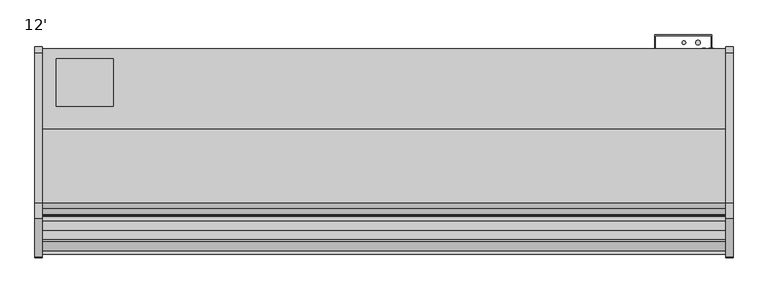
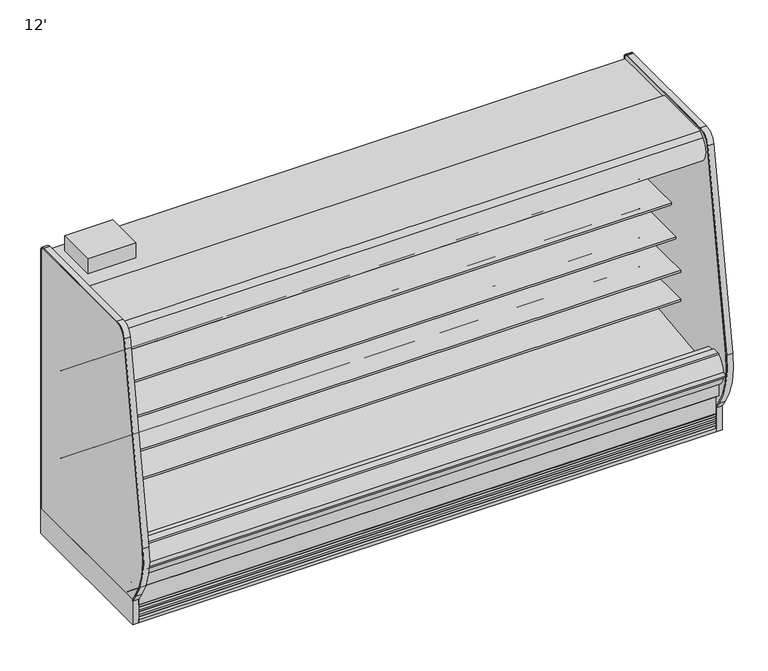
"""IFC4 building model written with IfcOpenShell, lengths in millimetres: proxy geometry, 12'."""

from ifc_helpers import new_model, si_unit, point, frame, frame_2d, origin, origin_with_axes, place, context, project, spatial, polyline, circle_curve, trimmed, segment, composite_curve, outline, extrude, faceted_brep, source, transform, mapped, element, save
from ifc_brep_helpers import plane_surface, cylinder_surface, revolved_surface, advanced_brep


def proxy_12_925cdb05(model_context):
    return source(origin(), model_context, "Body", "SolidModel", [
        extrude(outline(polyline([(381.0, -452.3089273), (381.0, -706.3089273), (76.2, -706.3089273), (76.2, -452.3089273), (381.0, -452.3089273)])), frame((0.0, 0.0, 1890.890681), z_axis=(0.0, 0.0, 1.0), x_axis=(1.0, 0.0, 0.0)), (0.0, 0.0, 1.0), 101.6),
        extrude(outline(composite_curve([segment(polyline([(-501.7581995, 650.7627781), (-501.7581995, 575.6617518), (-525.138746, 575.6617518)]), True, "CONTINUOUS"), segment(trimmed(circle_curve(frame_2d((-525.5705821, 601.0580806)), 25.4), [point((-525.138746, 575.6617518))], [point((-541.5479383, 581.3125979))], False, "CARTESIAN"), True, "CONTINUOUS"), segment(polyline([(-541.5479383, 581.3125979), (-559.3999995, 595.7578634)]), True, "CONTINUOUS"), segment(trimmed(circle_curve(frame_2d((-599.3433901, 546.3941567)), 63.5), [point((-559.3999995, 595.7578634))], [point((-591.4455089, 609.4010886))], True, "CARTESIAN"), True, "CONTINUOUS"), segment(polyline([(-591.4455089, 609.4010886), (-866.0092482, 633.098226), (-867.4980247, 636.5387781), (-1009.7581995, 636.5387781), (-1009.7581995, 650.7627781), (-501.7581995, 650.7627781)]), True, "CONTINUOUS")], self_intersect=False)), frame((0.0, 0.0, 0.0), z_axis=(1.0, 0.0, 0.0), x_axis=(0.0, 1.0, 0.0)), (0.0, 0.0, 1.0), 3657.6),
        extrude(outline(composite_curve([segment(polyline([(-501.7581995, 844.576863), (-501.7581995, 769.4758366), (-525.138746, 769.4758366)]), True, "CONTINUOUS"), segment(trimmed(circle_curve(frame_2d((-525.5705821, 794.8721655)), 25.4), [point((-525.138746, 769.4758366))], [point((-541.5479383, 775.1266828))], False, "CARTESIAN"), True, "CONTINUOUS"), segment(polyline([(-541.5479383, 775.1266828), (-559.3999995, 789.5719483)]), True, "CONTINUOUS"), segment(trimmed(circle_curve(frame_2d((-599.3433901, 740.2082415)), 63.5), [point((-559.3999995, 789.5719483))], [point((-591.4455089, 803.2151735))], True, "CARTESIAN"), True, "CONTINUOUS"), segment(polyline([(-591.4455089, 803.2151735), (-866.0092482, 826.9123109), (-867.4980247, 830.352863), (-1009.7581995, 830.352863), (-1009.7581995, 844.576863), (-501.7581995, 844.576863)]), True, "CONTINUOUS")], self_intersect=False)), frame((0.0, 0.0, 0.0), z_axis=(1.0, 0.0, 0.0), x_axis=(0.0, 1.0, 0.0)), (0.0, 0.0, 1.0), 3657.6),
        extrude(outline(composite_curve([segment(polyline([(-501.7581995, 1038.3909479), (-501.7581995, 963.2899215), (-525.138746, 963.2899215)]), True, "CONTINUOUS"), segment(trimmed(circle_curve(frame_2d((-525.5705821, 988.6862503)), 25.4), [point((-525.138746, 963.2899215))], [point((-541.5479383, 968.9407676))], False, "CARTESIAN"), True, "CONTINUOUS"), segment(polyline([(-541.5479383, 968.9407676), (-559.3999995, 983.3860332)]), True, "CONTINUOUS"), segment(trimmed(circle_curve(frame_2d((-599.3433901, 934.0223264)), 63.5), [point((-559.3999995, 983.3860332))], [point((-591.4455089, 997.0292583))], True, "CARTESIAN"), True, "CONTINUOUS"), segment(polyline([(-591.4455089, 997.0292583), (-866.0092482, 1020.7263958), (-867.4980247, 1024.1669479), (-958.9581995, 1024.1669479), (-958.9581995, 1038.3909479), (-501.7581995, 1038.3909479)]), True, "CONTINUOUS")], self_intersect=False)), frame((0.0, 0.0, 0.0), z_axis=(1.0, 0.0, 0.0), x_axis=(0.0, 1.0, 0.0)), (0.0, 0.0, 1.0), 3657.6),
        extrude(outline(composite_curve([segment(trimmed(circle_curve(frame_2d((3432.175, -366.5839273)), 9.525), [point((3422.65, -366.5839273))], [point((3441.7, -366.5839273))], False, "CARTESIAN"), True, "CONTINUOUS"), segment(trimmed(circle_curve(frame_2d((3432.175, -366.5839273)), 9.525), [point((3441.7, -366.5839273))], [point((3422.65, -366.5839273))], False, "CARTESIAN"), True, "CONTINUOUS")], self_intersect=False)), frame((0.0, 0.0, 1384.8875996), z_axis=(0.0, 0.0, 1.0), x_axis=(1.0, 0.0, 0.0)), (0.0, 0.0, 1.0), 465.5662814),
        extrude(outline(composite_curve([segment(trimmed(circle_curve(frame_2d((3508.375, -366.5839273)), 12.7), [point((3495.675, -366.5839273))], [point((3521.075, -366.5839273))], False, "CARTESIAN"), True, "CONTINUOUS"), segment(trimmed(circle_curve(frame_2d((3508.375, -366.5839273)), 12.7), [point((3521.075, -366.5839273))], [point((3495.675, -366.5839273))], False, "CARTESIAN"), True, "CONTINUOUS")], self_intersect=False)), frame((0.0, 0.0, 1384.8875996), z_axis=(0.0, 0.0, 1.0), x_axis=(1.0, 0.0, 0.0)), (0.0, 0.0, 1.0), 465.5662814),
        extrude(outline(polyline([(3578.225, -401.5089273), (3578.225, -328.4839273), (3279.8752368, -328.4839273), (3279.8752368, -401.5089273), (3276.6, -401.5089273), (3276.6, -325.3089273), (3581.4, -325.3089273), (3581.4, -401.5089273), (3578.225, -401.5089273)])), frame((0.0, 0.0, 636.9744553), z_axis=(0.0, 0.0, 1.0), x_axis=(1.0, 0.0, 0.0)), (0.0, 0.0, 1.0), 1177.4114257),
        extrude(outline(composite_curve([segment(trimmed(circle_curve(frame_2d((3460.75, -1128.5839273)), 12.7), [point((3448.05, -1128.5839273))], [point((3473.45, -1128.5839273))], False, "CARTESIAN"), True, "CONTINUOUS"), segment(trimmed(circle_curve(frame_2d((3460.75, -1128.5839273)), 12.7), [point((3473.45, -1128.5839273))], [point((3448.05, -1128.5839273))], False, "CARTESIAN"), True, "CONTINUOUS")], self_intersect=False)), frame((0.0, 0.0, 66.7090149), z_axis=(0.0, 0.0, 1.0), x_axis=(1.0, 0.0, 0.0)), (0.0, 0.0, 1.0), 57.1159851),
        extrude(outline(composite_curve([segment(trimmed(circle_curve(frame_2d((3422.65, -1128.5839273)), 9.525), [point((3413.125, -1128.5839273))], [point((3432.175, -1128.5839273))], False, "CARTESIAN"), True, "CONTINUOUS"), segment(trimmed(circle_curve(frame_2d((3422.65, -1128.5839273)), 9.525), [point((3432.175, -1128.5839273))], [point((3413.125, -1128.5839273))], False, "CARTESIAN"), True, "CONTINUOUS")], self_intersect=False)), frame((0.0, 0.0, 66.7090149), z_axis=(0.0, 0.0, 1.0), x_axis=(1.0, 0.0, 0.0)), (0.0, 0.0, 1.0), 57.1159851),
        extrude(outline(composite_curve([segment(trimmed(circle_curve(frame_2d((-772.0018909, 1757.6527872)), 14.2875), [point((-786.2893909, 1757.6527872))], [point((-757.7143909, 1757.6527872))], False, "CARTESIAN"), True, "CONTINUOUS"), segment(trimmed(circle_curve(frame_2d((-772.0018909, 1757.6527872)), 14.2875), [point((-757.7143909, 1757.6527872))], [point((-786.2893909, 1757.6527872))], False, "CARTESIAN"), True, "CONTINUOUS")], self_intersect=False)), frame((0.0, 0.0, 0.0), z_axis=(1.0, 0.0, 0.0), x_axis=(0.0, 1.0, 0.0)), (0.0, 0.0, 1.0), 3657.6),
        extrude(outline(polyline([(744.7751963, -1346.7911816), (435.3523963, -1346.7911816), (435.3523963, -1246.4115659), (744.7751963, -1246.4115659), (744.7751963, -1346.7911816)])), frame((0.0, 0.0, 53.2186364), z_axis=(0.0, 0.0, 1.0), x_axis=(1.0, 0.0, 0.0)), (0.0, 0.0, 1.0), 9.8914),
        faceted_brep([(3657.6, -1207.9589273, 133.35), (3657.6, -1271.9080824, 133.35), (3657.6, -1376.2733538, 217.6113531), (3657.6, -1376.2733538, 10.9768116), (3657.6, -1207.9589273, 10.9768116), (0.0, -1207.9589273, 133.35), (0.0, -1207.9589273, 10.9768116), (0.0, -1376.2733538, 10.9768116), (0.0, -1376.2733538, 217.6113531), (0.0, -1271.9080824, 133.35), (744.7751963, -1346.7911816, 10.9768116), (744.7751963, -1246.4115659, 10.9768116), (435.3523963, -1246.4115659, 10.9768116), (435.3523963, -1346.7911816, 10.9768116), (744.7751963, -1346.7911816, 63.1100364), (435.3523963, -1346.7911816, 63.1100364), (435.3523963, -1246.4115659, 63.1100364), (744.7751963, -1246.4115659, 63.1100364)], [[[0, 1, 2, 3, 4]], [[5, 6, 7, 8, 9]], [[1, 0, 5, 9]], [[2, 1, 9, 8]], [[3, 2, 8, 7]], [[4, 3, 7, 6], [10, 11, 12, 13]], [[0, 4, 6, 5]], [[14, 15, 16, 17]], [[14, 17, 11, 10]], [[17, 16, 12, 11]], [[16, 15, 13, 12]], [[15, 14, 10, 13]]]),
        extrude(outline(composite_curve([segment(trimmed(circle_curve(frame_2d((497.8112651, 3578.0090336)), 12.7), [point((497.8112651, 3590.7090336))], [point((497.8112651, 3565.3090336))], False, "CARTESIAN"), True, "CONTINUOUS"), segment(trimmed(circle_curve(frame_2d((497.8112651, 3578.0090336)), 12.7), [point((497.8112651, 3565.3090336))], [point((497.8112651, 3590.7090336))], False, "CARTESIAN"), True, "CONTINUOUS")], self_intersect=False)), frame((0.0, -447.5561252, 0.0), z_axis=(0.0, 1.0, 0.0), x_axis=(0.0, 0.0, 1.0)), (0.0, 0.0, 1.0), 52.3971979),
        extrude(outline(composite_curve([segment(trimmed(circle_curve(frame_2d((497.8112651, 3539.5972115)), 9.525), [point((497.8112651, 3549.1222115))], [point((497.8112651, 3530.0722115))], False, "CARTESIAN"), True, "CONTINUOUS"), segment(trimmed(circle_curve(frame_2d((497.8112651, 3539.5972115)), 9.525), [point((497.8112651, 3530.0722115))], [point((497.8112651, 3549.1222115))], False, "CARTESIAN"), True, "CONTINUOUS")], self_intersect=False)), frame((0.0, -447.5561252, 0.0), z_axis=(0.0, 1.0, 0.0), x_axis=(0.0, 0.0, 1.0)), (0.0, 0.0, 1.0), 52.3971979),
        extrude(outline(composite_curve([segment(polyline([(-448.6101762, 1839.296931), (-448.6101762, 407.920884), (-501.7581995, 407.920884), (-501.7581995, 1761.0279745)]), True, "CONTINUOUS"), segment(trimmed(circle_curve(frame_2d((-527.1581995, 1761.0279745)), 25.4), [point((-501.7581995, 1761.0279745))], [point((-527.1581995, 1786.4279745))], True, "CARTESIAN"), True, "CONTINUOUS"), segment(polyline([(-527.1581995, 1786.4279745), (-992.6733136, 1786.4279745), (-992.6733136, 1753.1446108), (-1003.5184137, 1753.1446108)]), True, "CONTINUOUS"), segment(trimmed(circle_curve(frame_2d((-1003.5184137, 1753.4621108)), 0.3175), [point((-1003.5184137, 1753.1446108))], [point((-1003.5184137, 1753.7796108))], False, "CARTESIAN"), True, "CONTINUOUS"), segment(polyline([(-1003.5184137, 1753.7796108), (-993.3389611, 1753.7796108), (-993.3389611, 1779.1796104), (-1094.9389599, 1779.1796104), (-1094.9389599, 1753.7796108), (-1084.7595073, 1753.7796108)]), True, "CONTINUOUS"), segment(trimmed(circle_curve(frame_2d((-1084.7595073, 1753.4621108)), 0.3175), [point((-1084.7595073, 1753.7796108))], [point((-1084.7595073, 1753.1446108))], False, "CARTESIAN"), True, "CONTINUOUS"), segment(polyline([(-1084.7595073, 1753.1446108), (-1095.6048165, 1753.1446108), (-1095.5967104, 1839.296931), (-448.6101762, 1839.296931)]), True, "CONTINUOUS")], self_intersect=False)), frame((0.0, 0.0, 0.0), z_axis=(1.0, 0.0, 0.0), x_axis=(0.0, 1.0, 0.0)), (0.0, 0.0, 1.0), 3657.6),
        advanced_brep(
        [(3657.6, -1425.6139874, 394.41755), (3657.6, -1425.6139874, 257.4474833), (3657.6, -1271.9080824, 133.35), (3657.6, -398.3339273, 133.35), (3657.6, -398.3339273, 1890.890681), (3657.6, -1136.0666873, 1890.890681), (3657.6, -1136.0666873, 1839.296931), (3657.6, -448.6101762, 1839.296931), (3657.6, -448.6101762, 367.1445251), (3657.6, -596.3264929, 214.837363), (3657.6, -1040.4181205, 198.8529213), (3657.6, -1093.5300237, 160.270884), (3657.6, -1160.3460307, 160.270884), (3657.6, -1218.3906168, 192.4470563), (3657.6, -1376.1093872, 344.7542153), (3657.6, -1376.1093872, 394.41755), (0.0, -1425.6139874, 394.41755), (0.0, -1376.1093872, 394.41755), (0.0, -1376.1093872, 344.7542153), (0.0, -1218.3906168, 192.4470563), (0.0, -1160.3460307, 160.270884), (0.0, -1093.5300237, 160.270884), (0.0, -1040.4181205, 198.8529213), (0.0, -596.3264929, 214.837363), (0.0, -448.6101762, 367.1445251), (0.0, -448.6101762, 1839.296931), (0.0, -1136.0666873, 1839.296931), (0.0, -1136.0666873, 1890.890681), (0.0, -398.3339273, 1890.890681), (0.0, -398.3339273, 133.35), (0.0, -1271.9080824, 133.35), (0.0, -1425.6139874, 257.4474833), (3556.0, -398.3339273, 362.4825072), (3556.0, -398.3339273, 464.0825072), (3556.0, -444.3811252, 362.4825072), (3556.0, -444.3811252, 464.0825072)],
        [
            (0, 1),
            (1, 2),
            (2, 3),
            (3, 4),
            (4, 5),
            (5, 6),
            (6, 7),
            (7, 8),
            (8, 9, circle_curve(frame((3657.6, -601.8382276, 367.9684683), z_axis=(-1.0, 0.0, 0.0), x_axis=(0.0, 1.0, 0.0)), 153.2302667)),
            (9, 10),
            (10, 11),
            (11, 12),
            (12, 13),
            (13, 14, circle_curve(frame((3657.6, -1223.7093872, 344.7542153), z_axis=(-1.0, 0.0, 0.0), x_axis=(0.0, 1.0, 0.0)), 152.4)),
            (14, 15),
            (15, 0),
            (16, 17),
            (17, 18),
            (18, 19, circle_curve(frame((0.0, -1223.7093872, 344.7542153), z_axis=(1.0, 0.0, 0.0), x_axis=(0.0, 1.0, 0.0)), 152.4)),
            (19, 20),
            (20, 21),
            (21, 22),
            (22, 23),
            (23, 24, circle_curve(frame((0.0, -601.8382276, 367.9684683), z_axis=(1.0, 0.0, 0.0), x_axis=(0.0, 1.0, 0.0)), 153.2302667)),
            (24, 25),
            (25, 26),
            (26, 27),
            (27, 28),
            (28, 29),
            (29, 30),
            (30, 31),
            (31, 16),
            (0, 16),
            (31, 1),
            (30, 2),
            (29, 3),
            (28, 4),
            (32, 33, circle_curve(frame((3556.0, -398.3339273, 413.2825072), z_axis=(0.0, -1.0, 0.0), x_axis=(0.0, 0.0, 1.0)), 50.8)),
            (33, 32, circle_curve(frame((3556.0, -398.3339273, 413.2825072), z_axis=(0.0, -1.0, 0.0), x_axis=(0.0, 0.0, 1.0)), 50.8)),
            (27, 5),
            (26, 6),
            (25, 7),
            (24, 8),
            (23, 9),
            (22, 10),
            (21, 11),
            (20, 12),
            (19, 13),
            (18, 14),
            (17, 15),
            (34, 35, circle_curve(frame((3556.0, -444.3811252, 413.2825072), z_axis=(0.0, 1.0, 0.0), x_axis=(0.0, 0.0, 1.0)), 50.8)),
            (35, 34, circle_curve(frame((3556.0, -444.3811252, 413.2825072), z_axis=(0.0, 1.0, 0.0), x_axis=(0.0, 0.0, 1.0)), 50.8)),
            (35, 33),
            (32, 34),
        ],
        [
            plane_surface(frame((3657.6, -1425.6139874, 257.4474833), z_axis=(1.0, 0.0, 0.0), x_axis=(0.0, 0.0, -1.0))),
            plane_surface(frame((0.0, -1425.6139874, 257.4474833), z_axis=(-1.0, 0.0, 0.0), x_axis=(0.0, 0.0, 1.0))),
            plane_surface(frame((3657.6, -1425.6139874, 394.41755), z_axis=(0.0, -1.0, 0.0), x_axis=(-1.0, 0.0, 0.0))),
            plane_surface(frame((3657.6, -1425.6139874, 257.4474833), z_axis=(0.0, -0.6281851642637385, -0.7780638787393617), x_axis=(-1.0, 0.0, 0.0))),
            plane_surface(frame((3657.6, -1271.9080824, 133.35), z_axis=(0.0, 0.0, -1.0), x_axis=(-1.0, 0.0, 0.0))),
            plane_surface(frame((3657.6, -398.3339273, 133.35), z_axis=(0.0, 1.0, 0.0), x_axis=(-1.0, 0.0, 0.0))),
            plane_surface(frame((3657.6, -398.3339273, 1890.890681), z_axis=(0.0, 0.0, 1.0), x_axis=(-1.0, 0.0, 0.0))),
            plane_surface(frame((3657.6, -1136.0666873, 1890.890681), z_axis=(0.0, -1.0, 0.0), x_axis=(-1.0, 0.0, 0.0))),
            plane_surface(frame((3657.6, -1136.0666873, 1839.296931), z_axis=(0.0, 0.0, -1.0), x_axis=(-1.0, 0.0, 0.0))),
            plane_surface(frame((3657.6, -448.6101762, 1839.296931), z_axis=(0.0, -1.0, 0.0), x_axis=(-1.0, 0.0, 0.0))),
            revolved_surface(polyline([(0.0, -448.60796089999997, 367.9684683), (3657.6, -448.60796089999997, 367.9684683)]), (0.0, -601.8382276, 367.9684683), (-1.0, 0.0, 0.0)),
            plane_surface(frame((3657.6, -596.3264929, 214.837363), z_axis=(0.0, -0.035970274152171335, 0.9993528602938092), x_axis=(-1.0, 0.0, 0.0))),
            plane_surface(frame((3657.6, -1040.4181205, 198.8529213), z_axis=(0.0, -0.5877252382160976, 0.8090605937529224), x_axis=(-1.0, 0.0, 0.0))),
            plane_surface(frame((3657.6, -1093.5300237, 160.270884), z_axis=(0.0, 0.0, 1.0), x_axis=(-1.0, 0.0, 0.0))),
            plane_surface(frame((3657.6, -1160.3460307, 160.270884), z_axis=(0.0, 0.4848272875913194, 0.8746099137368866), x_axis=(-1.0, 0.0, 0.0))),
            revolved_surface(polyline([(0.0, -1071.3093872, 344.7542153), (3657.6, -1071.3093872, 344.7542153)]), (0.0, -1223.7093872, 344.7542153), (-1.0, 0.0, 0.0)),
            plane_surface(frame((3657.6, -1376.1093872, 344.7542153), z_axis=(0.0, 1.0, 0.0), x_axis=(-1.0, 0.0, 0.0))),
            plane_surface(frame((3657.6, -1376.1093872, 394.41755), z_axis=(0.0, 0.0, 1.0), x_axis=(-1.0, 0.0, 0.0))),
            plane_surface(frame((3556.0, -444.3811252, 464.0825072), z_axis=(0.0, 1.0, 0.0), x_axis=(-1.0, 0.0, 0.0))),
            revolved_surface(polyline([(3556.0, -444.3811252, 464.0825072), (3556.0, -398.3339273, 464.0825072)]), (3556.0, -398.3339273, 413.2825072), (0.0, -1.0, 0.0)),
        ],
        [
            (0, [[1, 2, 3, 4, 5, 6, 7, 8, 9, 10, 11, 12, 13, 14, 15, 16]]),
            (1, [[17, 18, 19, 20, 21, 22, 23, 24, 25, 26, 27, 28, 29, 30, 31, 32]]),
            (2, [[-1, 33, -32, 34]]),
            (3, [[-2, -34, -31, 35]]),
            (4, [[-3, -35, -30, 36]]),
            (5, [[-4, -36, -29, 37], [38, 39]]),
            (6, [[-5, -37, -28, 40]]),
            (7, [[-6, -40, -27, 41]]),
            (8, [[-7, -41, -26, 42]]),
            (9, [[-8, -42, -25, 43]]),
            (10, [[-9, -43, -24, 44]]),
            (11, [[-10, -44, -23, 45]]),
            (12, [[-11, -45, -22, 46]]),
            (13, [[-12, -46, -21, 47]]),
            (14, [[-13, -47, -20, 48]]),
            (15, [[-14, -48, -19, 49]]),
            (16, [[-15, -49, -18, 50]]),
            (17, [[-16, -50, -17, -33]]),
            (18, [[51, 52]]),
            (19, [[-52, 53, -38, 54]]),
            (19, [[-51, -54, -39, -53]]),
        ],
    ),
        advanced_brep(
        [(3657.6, -1321.1559113, 376.2501999), (3657.6, -1321.1559113, 524.3829999), (3657.6, -1376.1093872, 524.3829999), (3657.6, -1376.1093872, 344.7542153), (3657.6, -1218.3906168, 192.4470563), (3657.6, -1160.3460307, 160.270884), (3657.6, -1093.5300237, 160.270884), (3657.6, -1040.4181205, 198.8529213), (3657.6, -596.3264929, 214.837363), (3657.6, -448.6101762, 367.1445251), (3657.6, -448.6101762, 407.920884), (3657.6, -501.7581995, 407.920884), (3657.6, -501.7581995, 472.5646663), (3657.6, -513.5722923, 459.8956028), (3657.6, -607.0176758, 453.3612651), (3657.6, -607.4656734, 459.7679299), (3657.6, -1288.3966401, 378.1918392), (3657.6, -1293.8382113, 376.2501999), (0.0, -1321.1559113, 376.2501999), (0.0, -1293.8382113, 376.2501999), (0.0, -1288.3966401, 378.1918392), (0.0, -607.4656734, 459.7679299), (0.0, -607.0176758, 453.3612651), (0.0, -513.5722923, 459.8956028), (0.0, -501.7581995, 472.5646663), (0.0, -501.7581995, 407.920884), (0.0, -448.6101762, 407.920884), (0.0, -448.6101762, 367.1445251), (0.0, -596.3264929, 214.837363), (0.0, -1040.4181205, 198.8529213), (0.0, -1093.5300237, 160.270884), (0.0, -1160.3460307, 160.270884), (0.0, -1218.3906168, 192.4470563), (0.0, -1376.1093872, 344.7542153), (0.0, -1376.1093872, 524.3829999), (0.0, -1321.1559113, 524.3829999)],
        [
            (0, 1),
            (1, 2),
            (2, 3),
            (3, 4, circle_curve(frame((3657.6, -1223.7093872, 344.7542153), z_axis=(1.0, 0.0, 0.0), x_axis=(0.0, 1.0, 0.0)), 152.4)),
            (4, 5),
            (5, 6),
            (6, 7),
            (7, 8),
            (8, 9, circle_curve(frame((3657.6, -601.8382276, 367.9684683), z_axis=(1.0, 0.0, 0.0), x_axis=(0.0, 1.0, 0.0)), 153.2302667)),
            (9, 10),
            (10, 11),
            (11, 12),
            (12, 13, circle_curve(frame((3657.6, -514.4581995, 472.5646663), z_axis=(-1.0, 0.0, 0.0), x_axis=(0.0, 1.0, 0.0)), 12.7)),
            (13, 14),
            (14, 15),
            (15, 16),
            (16, 17),
            (17, 0),
            (18, 19),
            (19, 20),
            (20, 21),
            (21, 22),
            (22, 23),
            (23, 24, circle_curve(frame((0.0, -514.4581995, 472.5646663), z_axis=(1.0, 0.0, 0.0), x_axis=(0.0, 1.0, 0.0)), 12.7)),
            (24, 25),
            (25, 26),
            (26, 27),
            (27, 28, circle_curve(frame((0.0, -601.8382276, 367.9684683), z_axis=(-1.0, 0.0, 0.0), x_axis=(0.0, 1.0, 0.0)), 153.2302667)),
            (28, 29),
            (29, 30),
            (30, 31),
            (31, 32),
            (32, 33, circle_curve(frame((0.0, -1223.7093872, 344.7542153), z_axis=(-1.0, 0.0, 0.0), x_axis=(0.0, 1.0, 0.0)), 152.4)),
            (33, 34),
            (34, 35),
            (35, 18),
            (0, 18),
            (35, 1),
            (34, 2),
            (33, 3),
            (32, 4),
            (31, 5),
            (30, 6),
            (29, 7),
            (28, 8),
            (27, 9),
            (26, 10),
            (25, 11),
            (24, 12),
            (23, 13),
            (22, 14),
            (21, 15),
            (20, 16),
            (19, 17),
        ],
        [
            plane_surface(frame((3657.6, -1321.1559113, 524.3829999), z_axis=(1.0, 0.0, 0.0), x_axis=(0.0, 0.0, 1.0))),
            plane_surface(frame((0.0, -1321.1559113, 524.3829999), z_axis=(-1.0, 0.0, 0.0), x_axis=(0.0, 0.0, -1.0))),
            plane_surface(frame((3657.6, -1321.1559113, 376.2501999), z_axis=(0.0, 1.0, 0.0), x_axis=(-1.0, 0.0, 0.0))),
            plane_surface(frame((3657.6, -1321.1559113, 524.3829999), z_axis=(0.0, 0.0, 1.0), x_axis=(-1.0, 0.0, 0.0))),
            plane_surface(frame((3657.6, -1376.1093872, 524.3829999), z_axis=(0.0, -1.0, 0.0), x_axis=(-1.0, 0.0, 0.0))),
            cylinder_surface(frame((0.0, -1223.7093872, 344.7542153), z_axis=(1.0, 0.0, 0.0), x_axis=(0.0, 1.0, 0.0)), 152.4),
            plane_surface(frame((3657.6, -1218.3906168, 192.4470563), z_axis=(0.0, -0.48482728759131477, -0.8746099137368891), x_axis=(-1.0, 0.0, 0.0))),
            plane_surface(frame((3657.6, -1160.3460307, 160.270884), z_axis=(0.0, 0.0, -1.0), x_axis=(-1.0, 0.0, 0.0))),
            plane_surface(frame((3657.6, -1093.5300237, 160.270884), z_axis=(0.0, 0.587725238216098, -0.8090605937529222), x_axis=(-1.0, 0.0, 0.0))),
            plane_surface(frame((3657.6, -1040.4181205, 198.8529213), z_axis=(0.0, 0.03597027415217118, -0.9993528602938092), x_axis=(-1.0, 0.0, 0.0))),
            cylinder_surface(frame((0.0, -601.8382276, 367.9684683), z_axis=(1.0, 0.0, 0.0), x_axis=(0.0, 1.0, 0.0)), 153.2302667),
            plane_surface(frame((3657.6, -448.6101762, 367.1445251), z_axis=(0.0, 1.0, 0.0), x_axis=(-1.0, 0.0, 0.0))),
            plane_surface(frame((3657.6, -448.6101762, 407.920884), z_axis=(0.0, 0.0, 1.0), x_axis=(-1.0, 0.0, 0.0))),
            plane_surface(frame((3657.6, -501.7581995, 407.920884), z_axis=(0.0, 1.0, 0.0), x_axis=(-1.0, 0.0, 0.0))),
            revolved_surface(polyline([(0.0, -501.7581995, 472.5646663), (3657.6, -501.7581995, 472.5646663)]), (0.0, -514.4581995, 472.5646663), (-1.0, 0.0, 0.0)),
            plane_surface(frame((3657.6, -513.5722923, 459.8956028), z_axis=(0.0, -0.0697564736977033, 0.9975640502630705), x_axis=(-1.0, 0.0, 0.0))),
            plane_surface(frame((3657.6, -607.0176758, 453.3612651), z_axis=(0.0, 0.9975640502631785, 0.06975647369615752), x_axis=(-1.0, 0.0, 0.0))),
            plane_surface(frame((3657.6, -607.4656734, 459.7679299), z_axis=(0.0, -0.1189502633854896, 0.9929002139392069), x_axis=(-1.0, 0.0, 0.0))),
            plane_surface(frame((3657.6, -1288.3966401, 378.1918392), z_axis=(0.0, -0.33606330765114173, 0.9418393988629772), x_axis=(-1.0, 0.0, 0.0))),
            plane_surface(frame((3657.6, -1293.8382113, 376.2501999), z_axis=(0.0, 0.0, 1.0), x_axis=(-1.0, 0.0, 0.0))),
        ],
        [
            (0, [[1, 2, 3, 4, 5, 6, 7, 8, 9, 10, 11, 12, 13, 14, 15, 16, 17, 18]]),
            (1, [[19, 20, 21, 22, 23, 24, 25, 26, 27, 28, 29, 30, 31, 32, 33, 34, 35, 36]]),
            (2, [[-1, 37, -36, 38]]),
            (3, [[-2, -38, -35, 39]]),
            (4, [[-3, -39, -34, 40]]),
            (5, [[-4, -40, -33, 41]]),
            (6, [[-5, -41, -32, 42]]),
            (7, [[-6, -42, -31, 43]]),
            (8, [[-7, -43, -30, 44]]),
            (9, [[-8, -44, -29, 45]]),
            (10, [[-9, -45, -28, 46]]),
            (11, [[-10, -46, -27, 47]]),
            (12, [[-11, -47, -26, 48]]),
            (13, [[-12, -48, -25, 49]]),
            (14, [[-13, -49, -24, 50]]),
            (15, [[-14, -50, -23, 51]]),
            (16, [[-15, -51, -22, 52]]),
            (17, [[-16, -52, -21, 53]]),
            (18, [[-17, -53, -20, 54]]),
            (19, [[-18, -54, -19, -37]]),
        ],
    ),
        extrude(outline(composite_curve([segment(trimmed(circle_curve(frame_2d((1828.8, -1128.5839273)), 38.1), [point((1790.7, -1128.5839273))], [point((1866.9, -1128.5839273))], False, "CARTESIAN"), True, "CONTINUOUS"), segment(trimmed(circle_curve(frame_2d((1828.8, -1128.5839273)), 38.1), [point((1866.9, -1128.5839273))], [point((1790.7, -1128.5839273))], False, "CARTESIAN"), True, "CONTINUOUS")], self_intersect=False)), frame((0.0, 0.0, 66.7090149), z_axis=(0.0, 0.0, 1.0), x_axis=(1.0, 0.0, 0.0)), (0.0, 0.0, 1.0), 57.1159851),
        advanced_brep(
        [(3657.6, -401.5089273, 0.0), (3657.6, -401.5089273, 133.35), (3657.6, -1207.9589273, 133.35), (3657.6, -1207.9589273, 0.0), (3657.6, -1161.1594273, 0.0), (3657.6, -1161.1594273, 74.8810382), (3657.6, -446.7209273, 74.8810382), (3657.6, -446.7209273, 0.0), (0.0, -401.5089273, 0.0), (0.0, -446.7209273, 0.0), (0.0, -446.7209273, 74.8810382), (0.0, -1161.1594273, 74.8810382), (0.0, -1161.1594273, 0.0), (0.0, -1207.9589273, 0.0), (0.0, -1207.9589273, 133.35), (0.0, -401.5089273, 133.35), (1789.8195331, -1161.1594273, 0.0), (1867.7804669, -1161.1594273, 0.0), (3402.7195331, -1161.1594273, 0.0), (3480.6804669, -1161.1594273, 0.0), (3480.6804669, -1161.1594273, 74.8810382), (1789.8195331, -1161.1594273, 74.8810382), (1867.7804669, -1161.1594273, 74.8810382), (3402.7195331, -1161.1594273, 74.8810382), (3492.5, -1128.5839273, 74.8810382), (3390.9, -1128.5839273, 74.8810382), (1879.6, -1128.5839273, 74.8810382), (1778.0, -1128.5839273, 74.8810382), (1778.0, -1128.5839273, 123.825), (1879.6, -1128.5839273, 123.825), (3390.9, -1128.5839273, 123.825), (3492.5, -1128.5839273, 123.825)],
        [
            (0, 1),
            (1, 2),
            (2, 3),
            (3, 4),
            (4, 5),
            (5, 6),
            (6, 7),
            (7, 0),
            (8, 9),
            (9, 10),
            (10, 11),
            (11, 12),
            (12, 13),
            (13, 14),
            (14, 15),
            (15, 8),
            (0, 8),
            (15, 1),
            (14, 2),
            (13, 3),
            (12, 16),
            (16, 17, circle_curve(frame((1828.8, -1128.5839273, 0.0), z_axis=(0.0, 0.0, 1.0), x_axis=(1.0, 0.0, 0.0)), 50.8)),
            (17, 18),
            (18, 19, circle_curve(frame((3441.7, -1128.5839273, 0.0), z_axis=(0.0, 0.0, 1.0), x_axis=(1.0, 0.0, 0.0)), 50.8)),
            (19, 4),
            (19, 20),
            (20, 5),
            (11, 21),
            (21, 16),
            (17, 22),
            (22, 23),
            (23, 18),
            (20, 24, circle_curve(frame((3441.7, -1128.5839273, 74.8810382), z_axis=(0.0, 0.0, 1.0), x_axis=(1.0, 0.0, 0.0)), 50.8)),
            (24, 25, circle_curve(frame((3441.7, -1128.5839273, 74.8810382), z_axis=(0.0, 0.0, 1.0), x_axis=(1.0, 0.0, 0.0)), 50.8)),
            (25, 23, circle_curve(frame((3441.7, -1128.5839273, 74.8810382), z_axis=(0.0, 0.0, 1.0), x_axis=(1.0, 0.0, 0.0)), 50.8)),
            (22, 26, circle_curve(frame((1828.8, -1128.5839273, 74.8810382), z_axis=(0.0, 0.0, 1.0), x_axis=(1.0, 0.0, 0.0)), 50.8)),
            (26, 27, circle_curve(frame((1828.8, -1128.5839273, 74.8810382), z_axis=(0.0, 0.0, 1.0), x_axis=(1.0, 0.0, 0.0)), 50.8)),
            (27, 21, circle_curve(frame((1828.8, -1128.5839273, 74.8810382), z_axis=(0.0, 0.0, 1.0), x_axis=(1.0, 0.0, 0.0)), 50.8)),
            (10, 6),
            (9, 7),
            (28, 29, circle_curve(frame((1828.8, -1128.5839273, 123.825), z_axis=(0.0, 0.0, -1.0), x_axis=(1.0, 0.0, 0.0)), 50.8)),
            (29, 28, circle_curve(frame((1828.8, -1128.5839273, 123.825), z_axis=(0.0, 0.0, -1.0), x_axis=(1.0, 0.0, 0.0)), 50.8)),
            (29, 26),
            (27, 28),
            (30, 31, circle_curve(frame((3441.7, -1128.5839273, 123.825), z_axis=(0.0, 0.0, -1.0), x_axis=(1.0, 0.0, 0.0)), 50.8)),
            (31, 30, circle_curve(frame((3441.7, -1128.5839273, 123.825), z_axis=(0.0, 0.0, -1.0), x_axis=(1.0, 0.0, 0.0)), 50.8)),
            (31, 24),
            (25, 30),
        ],
        [
            plane_surface(frame((3657.6, -401.5089273, 1893.5715584), z_axis=(1.0, 0.0, 0.0), x_axis=(0.0, 0.0, 1.0))),
            plane_surface(frame((0.0, -401.5089273, 1893.5715584), z_axis=(-1.0, 0.0, 0.0), x_axis=(0.0, 0.0, -1.0))),
            plane_surface(frame((3657.6, -401.5089273, 0.0), z_axis=(0.0, 1.0, 0.0), x_axis=(-1.0, 0.0, 0.0))),
            plane_surface(frame((3657.6, -401.5089273, 133.35), z_axis=(0.0, 0.0, 1.0), x_axis=(-1.0, 0.0, 0.0))),
            plane_surface(frame((3657.6, -1207.9589273, 133.35), z_axis=(0.0, -1.0, 0.0), x_axis=(-1.0, 0.0, 0.0))),
            plane_surface(frame((3657.6, -1207.9589273, 0.0), z_axis=(0.0, 0.0, -1.0), x_axis=(-1.0, 0.0, 0.0))),
            plane_surface(frame((3657.6, -1161.1594273, 0.0), z_axis=(0.0, 1.0, 0.0), x_axis=(-1.0, 0.0, 0.0))),
            plane_surface(frame((3657.6, -1161.1594273, 74.8810382), z_axis=(0.0, 0.0, -1.0), x_axis=(-1.0, 0.0, 0.0))),
            plane_surface(frame((3657.6, -446.7209273, 74.8810382), z_axis=(0.0, -1.0, 0.0), x_axis=(-1.0, 0.0, 0.0))),
            plane_surface(frame((3657.6, -446.7209273, 0.0), z_axis=(0.0, 0.0, -1.0), x_axis=(-1.0, 0.0, 0.0))),
            plane_surface(frame((1879.6, -1128.5839273, 123.825), z_axis=(0.0, 0.0, -1.0), x_axis=(0.0, 1.0, 0.0))),
            revolved_surface(polyline([(1879.6, -1128.5839273, 123.825), (1879.6, -1128.5839273, 0.0)]), (1828.8, -1128.5839273, 0.0), (0.0, 0.0, 1.0)),
            revolved_surface(polyline([(1879.6, -1128.5839273, 123.825), (1879.6, -1128.5839273, 74.8810382)]), (1828.8, -1128.5839273, 0.0), (0.0, 0.0, 1.0)),
            plane_surface(frame((3492.5, -1128.5839273, 123.825), z_axis=(0.0, 0.0, -1.0), x_axis=(0.0, 1.0, 0.0))),
            revolved_surface(polyline([(3492.5, -1128.5839273, 123.825), (3492.5, -1128.5839273, 0.0)]), (3441.7, -1128.5839273, 0.0), (0.0, 0.0, 1.0)),
            revolved_surface(polyline([(3492.5, -1128.5839273, 123.825), (3492.5, -1128.5839273, 74.8810382)]), (3441.7, -1128.5839273, 0.0), (0.0, 0.0, 1.0)),
        ],
        [
            (0, [[1, 2, 3, 4, 5, 6, 7, 8]]),
            (1, [[9, 10, 11, 12, 13, 14, 15, 16]]),
            (2, [[-1, 17, -16, 18]]),
            (3, [[-2, -18, -15, 19]]),
            (4, [[-3, -19, -14, 20]]),
            (5, [[-4, -20, -13, 21, 22, 23, 24, 25]]),
            (6, [[-5, -25, 26, 27]]),
            (6, [[-12, 28, 29, -21]]),
            (6, [[30, 31, 32, -23]]),
            (7, [[-6, -27, 33, 34, 35, -31, 36, 37, 38, -28, -11, 39]]),
            (8, [[-7, -39, -10, 40]]),
            (9, [[-8, -40, -9, -17]]),
            (10, [[41, 42]]),
            (11, [[-42, 43, -36, -30, -22, -29, -38, 44]]),
            (12, [[-41, -44, -37, -43]]),
            (13, [[45, 46]]),
            (14, [[-46, 47, -33, -26, -24, -32, -35, 48]]),
            (15, [[-45, -48, -34, -47]]),
        ],
    ),
        extrude(outline(polyline([(3657.6, -993.3389611), (3657.6, -1094.9389599), (0.0, -1094.9389599), (0.0, -993.3389611), (3657.6, -993.3389611)])), frame((0.0, 0.0, 1753.7796108), z_axis=(0.0, 0.0, 1.0), x_axis=(1.0, 0.0, 0.0)), (0.0, 0.0, 1.0), 25.3999996),
        extrude(outline(composite_curve([segment(polyline([(-830.9447918, 1908.175), (-830.9447918, 1890.890681), (-1136.0666873, 1890.890681), (-1136.0666873, 1839.296931), (-1095.6048165, 1839.296931), (-1095.6048165, 1753.1446108), (-1096.7409434, 1753.1446108), (-1142.1232964, 1781.3770512), (-1226.0096298, 1781.3770512), (-1231.4278577, 1752.0024197), (-1239.5228272, 1745.4449165), (-1241.2816599, 1739.5925552), (-1244.5563653, 1734.4834182)]), True, "CONTINUOUS"), segment(trimmed(circle_curve(frame_2d((-1251.828899, 1739.1447544)), 8.6381597), [point((-1244.5563653, 1734.4834182))], [point((-1258.4047513, 1733.5433288))], False, "CARTESIAN"), True, "CONTINUOUS"), segment(trimmed(circle_curve(frame_2d((-1178.1427231, 1801.9119237)), 105.4336661), [point((-1258.4047513, 1733.5433288))], [point((-1251.2033459, 1877.9277336))], False, "CARTESIAN"), True, "CONTINUOUS"), segment(trimmed(circle_curve(frame_2d((-1718.1499588, 2363.7616011)), 673.8498988), [point((-1251.2033459, 1877.9277336))], [point((-1221.6476576, 1908.175))], True, "CARTESIAN"), True, "CONTINUOUS"), segment(polyline([(-1221.6476576, 1908.175), (-830.9447918, 1908.175)]), True, "CONTINUOUS")], self_intersect=False)), frame((0.0, 0.0, 0.0), z_axis=(1.0, 0.0, 0.0), x_axis=(0.0, 1.0, 0.0)), (0.0, 0.0, 1.0), 3657.6),
        extrude(outline(composite_curve([segment(trimmed(circle_curve(frame_2d((-1161.5261636, 1763.2178978)), 14.2875), [point((-1175.8136636, 1763.2178978))], [point((-1147.2386636, 1763.2178978))], False, "CARTESIAN"), True, "CONTINUOUS"), segment(trimmed(circle_curve(frame_2d((-1161.5261636, 1763.2178978)), 14.2875), [point((-1147.2386636, 1763.2178978))], [point((-1175.8136636, 1763.2178978))], False, "CARTESIAN"), True, "CONTINUOUS")], self_intersect=False)), frame((0.0, 0.0, 0.0), z_axis=(1.0, 0.0, 0.0), x_axis=(0.0, 1.0, 0.0)), (0.0, 0.0, 1.0), 3657.6),
        extrude(outline(composite_curve([segment(trimmed(circle_curve(frame_2d((-1206.6074088, 1763.7441153)), 14.2875), [point((-1220.8949088, 1763.7441153))], [point((-1192.3199088, 1763.7441153))], False, "CARTESIAN"), True, "CONTINUOUS"), segment(trimmed(circle_curve(frame_2d((-1206.6074088, 1763.7441153)), 14.2875), [point((-1192.3199088, 1763.7441153))], [point((-1220.8949088, 1763.7441153))], False, "CARTESIAN"), True, "CONTINUOUS")], self_intersect=False)), frame((0.0, 0.0, 0.0), z_axis=(1.0, 0.0, 0.0), x_axis=(0.0, 1.0, 0.0)), (0.0, 0.0, 1.0), 3657.6),
        extrude(outline(polyline([(-752.0389611, 1786.9604817), (-752.0389611, 1785.3733627), (-763.9452111, 1785.3733627), (-799.6639611, 1761.5608627), (-799.6639611, 1785.3733627), (-820.3014611, 1785.3733627), (-820.3014611, 1726.7954807), (-817.0248305, 1710.6661458), (-818.5805536, 1710.3501049), (-821.8889611, 1726.6358627), (-821.8889611, 1786.9604817), (-752.0389611, 1786.9604817)])), frame((0.0, 0.0, 0.0), z_axis=(1.0, 0.0, 0.0), x_axis=(0.0, 1.0, 0.0)), (0.0, 0.0, 1.0), 3657.6),
        extrude(outline(polyline([(-521.3788195, 1507.9597381), (-695.8542362, 1752.5652509), (-689.4610518, 1754.5373597), (-516.209186, 1511.6472019), (-521.3788195, 1507.9597381)])), frame((0.0, 0.0, 0.0), z_axis=(1.0, 0.0, 0.0), x_axis=(0.0, 1.0, 0.0)), (0.0, 0.0, 1.0), 3657.6),
        extrude(outline(composite_curve([segment(polyline([(-501.7581995, 1532.3437165), (-501.7581995, 1494.2444667)]), True, "CONTINUOUS"), segment(trimmed(circle_curve(frame_2d((-504.6156995, 1494.2444667)), 2.8575), [point((-501.7581995, 1494.2444667))], [point((-503.4991853, 1491.6141241))], False, "CARTESIAN"), True, "CONTINUOUS"), segment(polyline([(-503.4991853, 1491.6141241), (-512.5954668, 1487.7529817)]), True, "CONTINUOUS"), segment(trimmed(circle_curve(frame_2d((-513.7119809, 1490.3833244)), 2.8575), [point((-512.5954668, 1487.7529817))], [point((-516.2580321, 1489.0860465))], False, "CARTESIAN"), True, "CONTINUOUS"), segment(polyline([(-516.2580321, 1489.0860465), (-524.1858411, 1504.6452478)]), True, "CONTINUOUS"), segment(trimmed(circle_curve(frame_2d((-523.0542629, 1505.2218158)), 1.27), [point((-524.1858411, 1504.6452478))], [point((-523.6308308, 1506.3533941))], False, "CARTESIAN"), True, "CONTINUOUS"), segment(polyline([(-523.6308308, 1506.3533941), (-516.209186, 1511.6472019), (-504.4246446, 1495.1258842), (-503.0281995, 1494.2444667), (-503.0281995, 1532.3437165), (-501.7581995, 1532.3437165)]), True, "CONTINUOUS")], self_intersect=False)), frame((0.0, 0.0, 0.0), z_axis=(1.0, 0.0, 0.0), x_axis=(0.0, 1.0, 0.0)), (0.0, 0.0, 1.0), 3657.6),
        extrude(outline(composite_curve([segment(polyline([(-693.8438534, 1760.6818209), (-689.4610518, 1754.5373597), (-698.4561946, 1751.7626235)]), True, "CONTINUOUS"), segment(trimmed(circle_curve(frame_2d((-699.1164708, 1753.9031077)), 2.2400083), [point((-698.4561946, 1751.7626235))], [point((-700.3014456, 1752.0021942))], False, "CARTESIAN"), True, "CONTINUOUS"), segment(polyline([(-700.3014456, 1752.0021942), (-724.3310675, 1785.6904817), (-740.2060675, 1785.6904817), (-740.2060675, 1786.9604817), (-724.3310675, 1786.9604817)]), True, "CONTINUOUS"), segment(trimmed(circle_curve(frame_2d((-724.3310675, 1785.6904817)), 1.27), [point((-724.3310675, 1786.9604817))], [point((-723.2971408, 1786.4279745))], False, "CARTESIAN"), True, "CONTINUOUS"), segment(polyline([(-723.2971408, 1786.4279745), (-711.1494423, 1769.3975292), (-701.461549, 1776.3078363)]), True, "CONTINUOUS"), segment(trimmed(circle_curve(frame_2d((-700.7240563, 1775.2739096)), 1.27), [point((-701.461549, 1776.3078363))], [point((-699.6901296, 1776.0114024))], False, "CARTESIAN"), True, "CONTINUOUS"), segment(polyline([(-699.6901296, 1776.0114024), (-690.4714701, 1763.0873185), (-693.8438534, 1760.6818209)]), True, "CONTINUOUS")], self_intersect=False)), frame((0.0, 0.0, 0.0), z_axis=(1.0, 0.0, 0.0), x_axis=(0.0, 1.0, 0.0)), (0.0, 0.0, 1.0), 3657.6),
        extrude(outline(composite_curve([segment(polyline([(-501.7581995, 1236.6027893), (-501.7581995, 1161.501763), (-525.138746, 1161.501763)]), True, "CONTINUOUS"), segment(trimmed(circle_curve(frame_2d((-525.5705821, 1186.8980918)), 25.4), [point((-525.138746, 1161.501763))], [point((-541.5479383, 1167.1526091))], False, "CARTESIAN"), True, "CONTINUOUS"), segment(polyline([(-541.5479383, 1167.1526091), (-559.3999995, 1181.5978746)]), True, "CONTINUOUS"), segment(trimmed(circle_curve(frame_2d((-599.3433901, 1132.2341679)), 63.5), [point((-559.3999995, 1181.5978746))], [point((-591.4455089, 1195.2410998))], True, "CARTESIAN"), True, "CONTINUOUS"), segment(polyline([(-591.4455089, 1195.2410998), (-866.0092482, 1218.9382372), (-867.4980247, 1222.3787893), (-908.1581995, 1222.3787893), (-908.1581995, 1236.6027893), (-501.7581995, 1236.6027893)]), True, "CONTINUOUS")], self_intersect=False)), frame((0.0, 0.0, 0.0), z_axis=(1.0, 0.0, 0.0), x_axis=(0.0, 1.0, 0.0)), (0.0, 0.0, 1.0), 3657.6),
        extrude(outline(composite_curve([segment(trimmed(circle_curve(frame_2d((-1479.6198501, 430.7520385)), 17.2640772), [point((-1496.8839273, 430.7520385))], [point((-1462.3557729, 430.7520385))], False, "CARTESIAN"), True, "CONTINUOUS"), segment(trimmed(circle_curve(frame_2d((-1479.6198501, 430.7520385)), 17.2640772), [point((-1462.3557729, 430.7520385))], [point((-1496.8839273, 430.7520385))], False, "CARTESIAN"), True, "CONTINUOUS")], self_intersect=False)), frame((0.0, 0.0, 0.0), z_axis=(1.0, 0.0, 0.0), x_axis=(0.0, 1.0, 0.0)), (0.0, 0.0, 1.0), 3657.6),
        extrude(outline(composite_curve([segment(polyline([(-1372.4247913, 524.3829999), (-1376.1093872, 524.3829999), (-1376.1093872, 394.41755), (-1425.6139874, 394.41755), (-1425.6139874, 353.1944213), (-1450.0841168, 353.1944213)]), True, "CONTINUOUS"), segment(trimmed(circle_curve(frame_2d((-1354.857609, 437.2236555)), 126.9999999), [point((-1450.0841168, 353.1944213))], [point((-1479.8148687, 414.5370243))], False, "CARTESIAN"), True, "CONTINUOUS"), segment(trimmed(circle_curve(frame_2d((-1479.6198501, 431.8)), 17.2640772), [point((-1479.8148687, 414.5370243))], [point((-1462.3557729, 431.8))], True, "CARTESIAN"), True, "CONTINUOUS"), segment(trimmed(circle_curve(frame_2d((-1479.6198501, 431.8)), 17.2640772), [point((-1462.3557729, 431.8))], [point((-1480.2817947, 449.0513823))], True, "CARTESIAN"), True, "CONTINUOUS"), segment(trimmed(circle_curve(frame_2d((-1307.9962796, 405.264233)), 177.7628003), [point((-1480.2817947, 449.0513823))], [point((-1428.7789384, 535.6910803))], False, "CARTESIAN"), True, "CONTINUOUS"), segment(trimmed(circle_curve(frame_2d((-1417.9221419, 523.9673962)), 15.9785731), [point((-1428.7789384, 535.6910803))], [point((-1418.0177913, 539.945683))], False, "CARTESIAN"), True, "CONTINUOUS"), segment(polyline([(-1418.0177913, 539.945683), (-1372.4247913, 539.945683), (-1372.4247913, 524.3829999)]), True, "CONTINUOUS")], self_intersect=False)), frame((0.0, 0.0, 0.0), z_axis=(1.0, 0.0, 0.0), x_axis=(0.0, 1.0, 0.0)), (0.0, 0.0, 1.0), 3657.6),
        extrude(outline(composite_curve([segment(polyline([(-1396.1346754, 233.6467814), (-1376.2733538, 217.6113531), (-1376.2733538, 0.0), (-1398.5450212, 0.0), (-1398.5450212, 21.4794805)]), True, "CONTINUOUS"), segment(trimmed(circle_curve(frame_2d((-1398.0091976, 35.1748572)), 13.7058546), [point((-1398.5450212, 21.4794805))], [point((-1384.9272183, 31.0867934))], True, "CARTESIAN"), True, "CONTINUOUS"), segment(polyline([(-1384.9272183, 31.0867934), (-1381.4381212, 42.2520535), (-1392.0753164, 40.0942307), (-1394.0692164, 40.0942307), (-1394.0692164, 52.7942307)]), True, "CONTINUOUS"), segment(trimmed(circle_curve(frame_2d((-1398.4870842, 66.2963779)), 14.2065314), [point((-1394.0692164, 52.7942307))], [point((-1384.9272183, 62.0589765))], True, "CARTESIAN"), True, "CONTINUOUS"), segment(polyline([(-1384.9272183, 62.0589765), (-1381.4381212, 73.2242366), (-1392.0753164, 71.0664138), (-1394.0692164, 71.0664138), (-1394.0692164, 83.7664138)]), True, "CONTINUOUS"), segment(trimmed(circle_curve(frame_2d((-1398.5594596, 97.3399774)), 14.2969897), [point((-1394.0692164, 83.7664138))], [point((-1384.9272183, 93.0311596))], True, "CARTESIAN"), True, "CONTINUOUS"), segment(polyline([(-1384.9272183, 93.0311596), (-1381.4381212, 104.0699677), (-1392.0753164, 102.0387838), (-1394.0692164, 102.0387838), (-1394.0692164, 114.7387838)]), True, "CONTINUOUS"), segment(trimmed(circle_curve(frame_2d((-1393.4714518, 125.7034438)), 10.9809422), [point((-1394.0692164, 114.7387838))], [point((-1385.6857177, 117.9598377))], True, "CARTESIAN"), True, "CONTINUOUS"), segment(polyline([(-1385.6857177, 117.9598377), (-1385.6857177, 121.5911682), (-1396.1346754, 121.5911682), (-1396.1346754, 233.6467814)]), True, "CONTINUOUS")], self_intersect=False)), frame((0.0, 0.0, 0.0), z_axis=(1.0, 0.0, 0.0), x_axis=(0.0, 1.0, 0.0)), (0.0, 0.0, 1.0), 3657.6),
        extrude(outline(composite_curve([segment(polyline([(-395.1589273, 171.45), (-395.1589273, 1897.5357495)]), True, "CONTINUOUS"), segment(trimmed(circle_curve(frame_2d((-420.5589273, 1897.5357495)), 25.4), [point((-395.1589273, 1897.5357495))], [point((-420.5589273, 1922.9357495))], True, "CARTESIAN"), True, "CONTINUOUS"), segment(polyline([(-420.5589273, 1922.9357495), (-1223.9529216, 1922.9357495)]), True, "CONTINUOUS"), segment(trimmed(circle_curve(frame_2d((-1223.9529216, 1846.7357495)), 76.2), [point((-1223.9529216, 1922.9357495))], [point((-1299.1932804, 1858.7909725))], True, "CARTESIAN"), True, "CONTINUOUS"), segment(polyline([(-1299.1932804, 1858.7909725), (-1504.4230792, 577.8886012)]), True, "CONTINUOUS"), segment(trimmed(circle_curve(frame_2d((-1002.8206869, 497.520448)), 508.0), [point((-1504.4230792, 577.8886012))], [point((-1424.2642602, 213.8845643))], True, "CARTESIAN"), True, "CONTINUOUS"), segment(polyline([(-1424.2642602, 213.8845643), (-1398.5450212, 171.45), (-1398.5450212, 159.1989091), (-1429.6167589, 210.4646426)]), True, "CONTINUOUS"), segment(trimmed(circle_curve(frame_2d((-1002.8206869, 497.520448)), 514.35), [point((-1429.6167589, 210.4646426))], [point((-1510.6931091, 578.8932032))], False, "CARTESIAN"), True, "CONTINUOUS"), segment(polyline([(-1510.6931091, 578.8932032), (-1305.5399887, 1859.3170009)]), True, "CONTINUOUS"), segment(trimmed(circle_curve(frame_2d((-1224.0296, 1846.2571761)), 82.55), [point((-1305.5399887, 1859.3170009))], [point((-1224.0296, 1928.8071761))], False, "CARTESIAN"), True, "CONTINUOUS"), segment(polyline([(-1224.0296, 1928.8071761), (-420.5589273, 1928.8071761)]), True, "CONTINUOUS"), segment(trimmed(circle_curve(frame_2d((-420.5589273, 1897.0571761)), 31.75), [point((-420.5589273, 1928.8071761))], [point((-388.8089273, 1897.0571761))], False, "CARTESIAN"), True, "CONTINUOUS"), segment(polyline([(-388.8089273, 1897.0571761), (-388.8089273, 171.45), (-395.1589273, 171.45)]), True, "CONTINUOUS")], self_intersect=False)), frame((3657.6, 0.0, 0.0), z_axis=(1.0, 0.0, 0.0), x_axis=(0.0, 1.0, 0.0)), (0.0, 0.0, 1.0), 38.1),
        extrude(outline(composite_curve([segment(polyline([(-1398.5450212, 171.45), (-1424.2642602, 213.8845643)]), True, "CONTINUOUS"), segment(trimmed(circle_curve(frame_2d((-1002.8206869, 497.520448)), 508.0), [point((-1424.2642602, 213.8845643))], [point((-1504.4230792, 577.8886012))], False, "CARTESIAN"), True, "CONTINUOUS"), segment(polyline([(-1504.4230792, 577.8886012), (-1299.1932804, 1858.7909725)]), True, "CONTINUOUS"), segment(trimmed(circle_curve(frame_2d((-1223.9529216, 1846.7357495)), 76.2), [point((-1299.1932804, 1858.7909725))], [point((-1223.9529216, 1922.9357495))], False, "CARTESIAN"), True, "CONTINUOUS"), segment(polyline([(-1223.9529216, 1922.9357495), (-420.5589273, 1922.9357495)]), True, "CONTINUOUS"), segment(trimmed(circle_curve(frame_2d((-420.5589273, 1897.5357495)), 25.4), [point((-420.5589273, 1922.9357495))], [point((-395.1589273, 1897.5357495))], False, "CARTESIAN"), True, "CONTINUOUS"), segment(polyline([(-395.1589273, 1897.5357495), (-395.1589273, 171.45), (-1398.5450212, 171.45)]), True, "CONTINUOUS")], self_intersect=False)), frame((3657.6, 0.0, 0.0), z_axis=(1.0, 0.0, 0.0), x_axis=(0.0, 1.0, 0.0)), (0.0, 0.0, 1.0), 38.1),
        extrude(outline(polyline([(3695.7, -388.8089273), (3695.7, -1398.5450212), (3657.6, -1398.5450212), (3657.6, -388.8089273), (3695.7, -388.8089273)])), origin_with_axes(), (0.0, 0.0, 1.0), 171.45),
        extrude(outline(composite_curve([segment(polyline([(-395.1589273, 171.45), (-395.1589273, 1897.5357495)]), True, "CONTINUOUS"), segment(trimmed(circle_curve(frame_2d((-420.5589273, 1897.5357495)), 25.4), [point((-395.1589273, 1897.5357495))], [point((-420.5589273, 1922.9357495))], True, "CARTESIAN"), True, "CONTINUOUS"), segment(polyline([(-420.5589273, 1922.9357495), (-1223.9529216, 1922.9357495)]), True, "CONTINUOUS"), segment(trimmed(circle_curve(frame_2d((-1223.9529216, 1846.7357495)), 76.2), [point((-1223.9529216, 1922.9357495))], [point((-1299.1932804, 1858.7909725))], True, "CARTESIAN"), True, "CONTINUOUS"), segment(polyline([(-1299.1932804, 1858.7909725), (-1504.4230792, 577.8886012)]), True, "CONTINUOUS"), segment(trimmed(circle_curve(frame_2d((-1002.8206869, 497.520448)), 508.0), [point((-1504.4230792, 577.8886012))], [point((-1424.2642602, 213.8845643))], True, "CARTESIAN"), True, "CONTINUOUS"), segment(polyline([(-1424.2642602, 213.8845643), (-1398.5450212, 171.45), (-1398.5450212, 159.1989091), (-1429.6167589, 210.4646426)]), True, "CONTINUOUS"), segment(trimmed(circle_curve(frame_2d((-1002.8206869, 497.520448)), 514.35), [point((-1429.6167589, 210.4646426))], [point((-1510.6931091, 578.8932032))], False, "CARTESIAN"), True, "CONTINUOUS"), segment(polyline([(-1510.6931091, 578.8932032), (-1305.5399887, 1859.3170009)]), True, "CONTINUOUS"), segment(trimmed(circle_curve(frame_2d((-1224.0296, 1846.2571761)), 82.55), [point((-1305.5399887, 1859.3170009))], [point((-1224.0296, 1928.8071761))], False, "CARTESIAN"), True, "CONTINUOUS"), segment(polyline([(-1224.0296, 1928.8071761), (-420.5589273, 1928.8071761)]), True, "CONTINUOUS"), segment(trimmed(circle_curve(frame_2d((-420.5589273, 1897.0571761)), 31.75), [point((-420.5589273, 1928.8071761))], [point((-388.8089273, 1897.0571761))], False, "CARTESIAN"), True, "CONTINUOUS"), segment(polyline([(-388.8089273, 1897.0571761), (-388.8089273, 171.45), (-395.1589273, 171.45)]), True, "CONTINUOUS")], self_intersect=False)), frame((-38.1, 0.0, 0.0), z_axis=(1.0, 0.0, 0.0), x_axis=(0.0, 1.0, 0.0)), (0.0, 0.0, 1.0), 38.1),
        extrude(outline(composite_curve([segment(polyline([(-1398.5450212, 171.45), (-1424.2642602, 213.8845643)]), True, "CONTINUOUS"), segment(trimmed(circle_curve(frame_2d((-1002.8206869, 497.520448)), 508.0), [point((-1424.2642602, 213.8845643))], [point((-1504.4230792, 577.8886012))], False, "CARTESIAN"), True, "CONTINUOUS"), segment(polyline([(-1504.4230792, 577.8886012), (-1299.1932804, 1858.7909725)]), True, "CONTINUOUS"), segment(trimmed(circle_curve(frame_2d((-1223.9529216, 1846.7357495)), 76.2), [point((-1299.1932804, 1858.7909725))], [point((-1223.9529216, 1922.9357495))], False, "CARTESIAN"), True, "CONTINUOUS"), segment(polyline([(-1223.9529216, 1922.9357495), (-420.5589273, 1922.9357495)]), True, "CONTINUOUS"), segment(trimmed(circle_curve(frame_2d((-420.5589273, 1897.5357495)), 25.4), [point((-420.5589273, 1922.9357495))], [point((-395.1589273, 1897.5357495))], False, "CARTESIAN"), True, "CONTINUOUS"), segment(polyline([(-395.1589273, 1897.5357495), (-395.1589273, 171.45), (-1398.5450212, 171.45)]), True, "CONTINUOUS")], self_intersect=False)), frame((-38.1, 0.0, 0.0), z_axis=(1.0, 0.0, 0.0), x_axis=(0.0, 1.0, 0.0)), (0.0, 0.0, 1.0), 38.1),
        extrude(outline(polyline([(0.0, -388.8089273), (0.0, -1398.5450212), (-38.1, -1398.5450212), (-38.1, -388.8089273), (0.0, -388.8089273)])), origin_with_axes(), (0.0, 0.0, 1.0), 171.45),
    ])


if __name__ == "__main__":
    model = new_model("IFC4")
    model_context = context("Model", 3, world=origin())
    ifc_project = project(units=[si_unit("LENGTHUNIT", "METRE", prefix="MILLI")], contexts=[model_context])
    site = spatial("IfcSite", under=ifc_project)
    building = spatial("IfcBuilding", under=site)
    placement = place(None, origin())
    proxy_12_shape = proxy_12_925cdb05(model_context)
    element("IfcBuildingElementProxy", 1, Name="12'", ObjectType="12'", at=placement, inside=building, context=model_context, shape_type="MappedRepresentation", body=[
        mapped(proxy_12_shape, transform((0.0, 0.0, 0.0), x_axis=(1.0, 0.0, 0.0), y_axis=(0.0, 1.0, 0.0), z_axis=(0.0, 0.0, 1.0))),
    ])
    save(model, "model.ifc")
